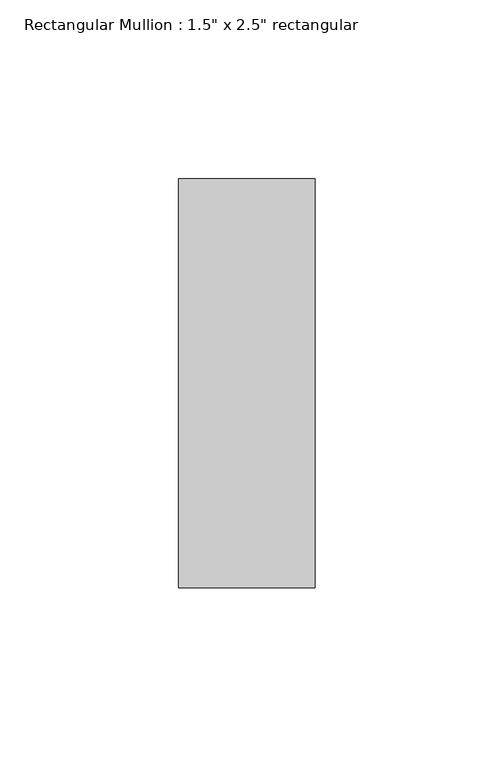
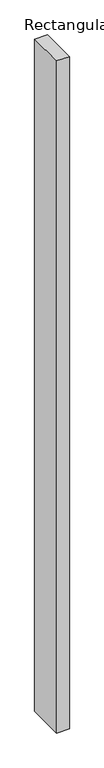
"""IFC4 building model written with IfcOpenShell, lengths in millimetres: member geometry."""

import ifcopenshell
import ifcopenshell.guid

model = None  # the IFC model being written
_history = None  # IfcOwnerHistory: only IFC2X3 demands one
_inside = {}  # id of a spatial element -> (the spatial element, [elements in it])
_under = {}  # id of a project, library or spatial element -> (it, [spatial elements below it])
_declared = {}  # id of a project -> (the project, [libraries it declares])
_typed = {}  # id of a type object -> (the type object, [elements of that type])
_made_of = {}  # id of a material, layer set ... -> (it, [elements and type objects made of it])


def new_model(schema):
    """Start an empty IFC model of exactly this schema.

    Asked for "IFC4X3", IfcOpenShell would pick the latest addendum, in which some entities
    have other attributes; the version numbers below select the first issue.
    IFC2X3 requires an IfcOwnerHistory on every rooted entity: one is made here for all.
    """
    global model, _history
    if schema == "IFC4X3":
        model = ifcopenshell.file(schema_version=(4, 3, 0, 0))
    else:
        model = ifcopenshell.file(schema=schema)
    _inside.clear()
    _under.clear()
    _declared.clear()
    _typed.clear()
    _made_of.clear()
    _history = None
    if model.schema == "IFC2X3":
        org = make("IfcOrganization", Name="unknown")
        user = make(
            "IfcPersonAndOrganization",
            ThePerson=make("IfcPerson", FamilyName="unknown"),
            TheOrganization=org,
        )
        app = make(
            "IfcApplication",
            ApplicationDeveloper=org,
            Version="unknown",
            ApplicationFullName="unknown",
            ApplicationIdentifier="unknown",
        )
        _history = make(
            "IfcOwnerHistory",
            OwningUser=user,
            OwningApplication=app,
            ChangeAction="ADDED",
            CreationDate=0,
        )
    return model


def make(cls, **values):
    """One entity of the class cls with the attributes given. An attribute that is None is left unset."""
    return model.create_entity(
        cls, **{name: value for name, value in values.items() if value is not None}
    )


def rooted(cls, **values):
    """An entity with a GlobalId (a new one), such as an element, a storey or a relation."""
    return make(cls, GlobalId=ifcopenshell.guid.new(), OwnerHistory=_history, **values)


def si_unit(unit_type, name, prefix=None):
    """IfcSIUnit, for example si_unit("LENGTHUNIT", "METRE", prefix="MILLI")."""
    return make("IfcSIUnit", UnitType=unit_type, Prefix=prefix, Name=name)


def assignment(units):
    """IfcUnitAssignment: the units of a project."""
    return None if units is None else make("IfcUnitAssignment", Units=units)


def point(xyz):
    """IfcCartesianPoint."""
    return None if xyz is None else make("IfcCartesianPoint", Coordinates=xyz)


def direction(xyz):
    """IfcDirection."""
    return None if xyz is None else make("IfcDirection", DirectionRatios=xyz)


def frame(location, z_axis=None, x_axis=None):
    """IfcAxis2Placement3D, a coordinate frame: its origin and axes. An axis left out is left unset."""
    return make(
        "IfcAxis2Placement3D",
        Location=point(location),
        Axis=direction(z_axis),
        RefDirection=direction(x_axis),
    )


def origin():
    """The frame at (0, 0, 0) with its axes left unset."""
    return frame((0.0, 0.0, 0.0))


def place(relative_to, where):
    """IfcLocalPlacement: puts the frame where relative to a parent placement (None: the world)."""
    return make(
        "IfcLocalPlacement", PlacementRelTo=relative_to, RelativePlacement=where
    )


def context(
    kind, dimensions, precision=None, world=None, true_north=None, identifier=None
):
    """IfcGeometricRepresentationContext, for example the 3D "Model" context."""
    return make(
        "IfcGeometricRepresentationContext",
        ContextIdentifier=identifier,
        ContextType=kind,
        CoordinateSpaceDimension=dimensions,
        Precision=precision,
        WorldCoordinateSystem=world,
        TrueNorth=true_north,
    )


def project(units=None, contexts=None):
    """IfcProject with its units and contexts."""
    return rooted(
        "IfcProject",
        Name="project",
        RepresentationContexts=contexts,
        UnitsInContext=assignment(units),
    )


def spatial(cls, under=None, at=None, **own):
    """A site, building, storey or space (cls), placed at a placement, below another one or the project."""
    s = rooted(cls, ObjectPlacement=at, **own)
    if under is not None:
        _under.setdefault(under.id(), (under, []))[1].append(s)
    return s


def polyline(points):
    """IfcPolyline through the points."""
    return make("IfcPolyline", Points=[point(p) for p in points])


def outline(outer, holes=None, kind="AREA"):
    """IfcArbitraryClosedProfileDef: a profile drawn as a closed curve; with holes, ...WithVoids."""
    if holes is None:
        return make("IfcArbitraryClosedProfileDef", ProfileType=kind, OuterCurve=outer)
    return make(
        "IfcArbitraryProfileDefWithVoids",
        ProfileType=kind,
        OuterCurve=outer,
        InnerCurves=holes,
    )


def extrude(swept, where, along, depth):
    """IfcExtrudedAreaSolid: the profile swept, set in the frame where, extruded along a direction by depth."""
    return make(
        "IfcExtrudedAreaSolid",
        SweptArea=swept,
        Position=where,
        ExtrudedDirection=direction(along),
        Depth=depth,
    )


def shape(context_of_items, identifier, shape_type, items):
    """IfcShapeRepresentation: the items that make up one representation, for example the "Body"."""
    return make(
        "IfcShapeRepresentation",
        ContextOfItems=context_of_items,
        RepresentationIdentifier=identifier,
        RepresentationType=shape_type,
        Items=items,
    )


def source(mapping_origin, context_of_items, identifier, shape_type, items):
    """IfcRepresentationMap: a shape defined once, which mapped items show again and again."""
    return make(
        "IfcRepresentationMap",
        MappingOrigin=mapping_origin,
        MappedRepresentation=shape(context_of_items, identifier, shape_type, items),
    )


def transform(
    local_origin,
    x_axis=None,
    y_axis=None,
    z_axis=None,
    scale=None,
    scale2=None,
    scale3=None,
    uniform=True,
):
    """IfcCartesianTransformationOperator3D, or its non-uniform kind. x_axis, y_axis, z_axis: its Axis1, 2, 3."""
    if uniform:
        return make(
            "IfcCartesianTransformationOperator3D",
            Axis1=direction(x_axis),
            Axis2=direction(y_axis),
            LocalOrigin=point(local_origin),
            Scale=scale,
            Axis3=direction(z_axis),
        )
    return make(
        "IfcCartesianTransformationOperator3DnonUniform",
        Axis1=direction(x_axis),
        Axis2=direction(y_axis),
        LocalOrigin=point(local_origin),
        Scale=scale,
        Axis3=direction(z_axis),
        Scale2=scale2,
        Scale3=scale3,
    )


def mapped(mapping_source, mapping_target):
    """IfcMappedItem: shows the shape of a source again, moved by a transform."""
    return make(
        "IfcMappedItem", MappingSource=mapping_source, MappingTarget=mapping_target
    )


def made_of(thing, what):
    """Note that an element or type object is made of a material, layer set ...; save() writes the relation."""
    if what is not None:
        _made_of.setdefault(what.id(), (what, []))[1].append(thing)
    return thing


def element(
    cls,
    number,
    at=None,
    inside=None,
    cuts=None,
    type_object=None,
    material=None,
    context=None,
    identifier="Body",
    shape_type=None,
    held_by="IfcProductDefinitionShape",
    body=None,
    shapes=None,
    **own,
):
    """One element of the class cls, such as IfcWall. Its Tag is "e" and its number.

    at: its placement. inside: the storey or other place that contains it. cuts: it is an
    opening in that element (IfcRelVoidsElement). A single representation is given by context,
    identifier, shape_type and body (its items); several are given by shapes. held_by: the class
    of the entity that holds the representations. save() writes the other relations.
    """
    e = rooted(cls, Tag="e%d" % number, ObjectPlacement=at, **own)
    if body is not None:
        shapes = [shape(context, identifier, shape_type, body)]
    if shapes is not None:
        e.Representation = make(held_by, Representations=shapes)
    if inside is not None:
        _inside.setdefault(inside.id(), (inside, []))[1].append(e)
    if cuts is not None:
        rooted(
            "IfcRelVoidsElement", RelatingBuildingElement=cuts, RelatedOpeningElement=e
        )
    if type_object is not None:
        _typed.setdefault(type_object.id(), (type_object, []))[1].append(e)
    return made_of(e, material)


def aggregate(whole, parts):
    """IfcRelAggregates: a whole, such as a stair, and the parts it consists of."""
    return rooted("IfcRelAggregates", RelatingObject=whole, RelatedObjects=parts)


def save(model, path):
    """Write the relations noted so far, then the file.

    IfcRelAggregates (storeys below a building ...), IfcRelContainedInSpatialStructure (elements
    in a storey), IfcRelDefinesByType, IfcRelAssociatesMaterial and IfcRelDeclares: one each for
    every whole, place, type object, material and project.
    """
    for whole, parts in _under.values():
        aggregate(whole, parts)
    for where, things in _inside.values():
        rooted(
            "IfcRelContainedInSpatialStructure",
            RelatedElements=things,
            RelatingStructure=where,
        )
    for kind, things in _typed.values():
        rooted("IfcRelDefinesByType", RelatedObjects=things, RelatingType=kind)
    for what, things in _made_of.values():
        rooted("IfcRelAssociatesMaterial", RelatedObjects=things, RelatingMaterial=what)
    for by, libraries in _declared.values():
        rooted("IfcRelDeclares", RelatingContext=by, RelatedDefinitions=libraries)
    model.write(path)


def member_20b68123(model_context):
    return source(origin(), model_context, "Body", "SweptSolid", [
        extrude(outline(polyline([(19.05, 57.15), (19.05, -57.15), (-19.05, -57.15), (-19.05, 57.15), (19.05, 57.15)])), frame((0.0, 0.0, -2133.6), z_axis=(0.0, 0.0, 1.0), x_axis=(1.0, 0.0, 0.0)), (0.0, 0.0, 1.0), 2133.6),
    ])


if __name__ == "__main__":
    model = new_model("IFC4")
    model_context = context("Model", 3, world=origin())
    ifc_project = project(units=[si_unit("LENGTHUNIT", "METRE", prefix="MILLI")], contexts=[model_context])
    site = spatial("IfcSite", under=ifc_project)
    building = spatial("IfcBuilding", under=site)
    placement = place(None, origin())
    member_shape = member_20b68123(model_context)
    element("IfcMember", 1, ObjectType="Rectangular Mullion : 1.5\" x 2.5\" rectangular", at=placement, inside=building, context=model_context, shape_type="MappedRepresentation", body=[
        mapped(member_shape, transform((0.0, 0.0, 0.0), x_axis=(1.0, 0.0, 0.0), y_axis=(0.0, 1.0, 0.0), z_axis=(0.0, 0.0, 1.0))),
    ])
    save(model, "model.ifc")
